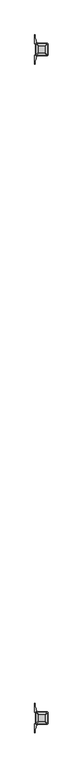
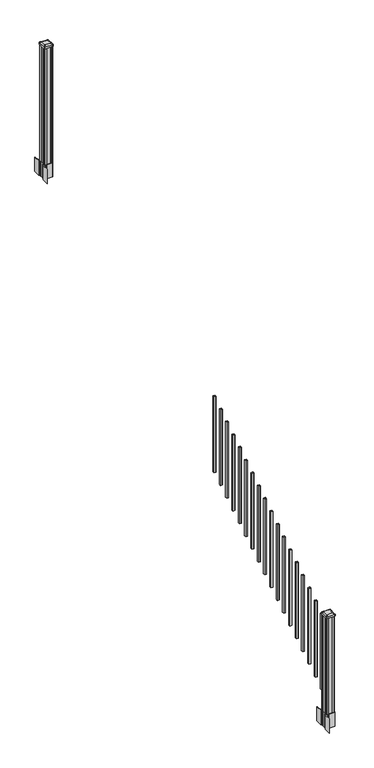
"""IFC4 building model written with IfcOpenShell, lengths in millimetres: railing geometry."""

from ifc_helpers import new_model, si_unit, point, frame, frame_2d, origin, place, context, project, spatial, polyline, circle_curve, trimmed, segment, composite_curve, outline, extrude, source, transform, mapped, element, save
from ifc_brep_helpers import plane_surface, extruded_surface, advanced_brep


def railing_6dadb697(model_context):
    return source(origin(), model_context, "Body", "SolidModel", [
        extrude(outline(polyline([(9882.2052034, -5721.2584681), (9863.1552034, -5721.2584681), (9863.1552034, -5702.2084681), (9882.2052034, -5702.2084681), (9882.2052034, -5721.2584681)]), holes=[polyline([(9881.8083284, -5720.8615931), (9881.8083284, -5702.6053431), (9863.5520784, -5702.6053431), (9863.5520784, -5720.8615931), (9881.8083284, -5720.8615931)])]), frame((0.0, 0.0, 1515.8996281), z_axis=(0.0, 0.0, 1.0), x_axis=(1.0, 0.0, 0.0)), (0.0, 0.0, 1.0), 812.8041219),
        extrude(outline(polyline([(9882.2052034, -5832.5104681), (9863.1552034, -5832.5104681), (9863.1552034, -5813.4604681), (9882.2052034, -5813.4604681), (9882.2052034, -5832.5104681)]), holes=[polyline([(9881.8083284, -5832.1135931), (9881.8083284, -5813.8573431), (9863.5520784, -5813.8573431), (9863.5520784, -5832.1135931), (9881.8083284, -5832.1135931)])]), frame((0.0, 0.0, 1446.3671281), z_axis=(0.0, 0.0, 1.0), x_axis=(1.0, 0.0, 0.0)), (0.0, 0.0, 1.0), 812.8041219),
        extrude(outline(polyline([(9882.2052034, -5943.7624681), (9863.1552034, -5943.7624681), (9863.1552034, -5924.7124681), (9882.2052034, -5924.7124681), (9882.2052034, -5943.7624681)]), holes=[polyline([(9881.8083284, -5943.3655931), (9881.8083284, -5925.1093431), (9863.5520784, -5925.1093431), (9863.5520784, -5943.3655931), (9881.8083284, -5943.3655931)])]), frame((0.0, 0.0, 1376.8346281), z_axis=(0.0, 0.0, 1.0), x_axis=(1.0, 0.0, 0.0)), (0.0, 0.0, 1.0), 812.8041219),
        extrude(outline(polyline([(9882.2052034, -6055.0144681), (9863.1552034, -6055.0144681), (9863.1552034, -6035.9644681), (9882.2052034, -6035.9644681), (9882.2052034, -6055.0144681)]), holes=[polyline([(9881.8083284, -6054.6175931), (9881.8083284, -6036.3613431), (9863.5520784, -6036.3613431), (9863.5520784, -6054.6175931), (9881.8083284, -6054.6175931)])]), frame((0.0, 0.0, 1307.3021281), z_axis=(0.0, 0.0, 1.0), x_axis=(1.0, 0.0, 0.0)), (0.0, 0.0, 1.0), 812.8041219),
        extrude(outline(polyline([(9882.2052034, -6166.2664681), (9863.1552034, -6166.2664681), (9863.1552034, -6147.2164681), (9882.2052034, -6147.2164681), (9882.2052034, -6166.2664681)]), holes=[polyline([(9881.8083284, -6165.8695931), (9881.8083284, -6147.6133431), (9863.5520784, -6147.6133431), (9863.5520784, -6165.8695931), (9881.8083284, -6165.8695931)])]), frame((0.0, 0.0, 1237.7696281), z_axis=(0.0, 0.0, 1.0), x_axis=(1.0, 0.0, 0.0)), (0.0, 0.0, 1.0), 812.8041219),
        extrude(outline(polyline([(9882.2052034, -6277.5184681), (9863.1552034, -6277.5184681), (9863.1552034, -6258.4684681), (9882.2052034, -6258.4684681), (9882.2052034, -6277.5184681)]), holes=[polyline([(9881.8083284, -6277.1215931), (9881.8083284, -6258.8653431), (9863.5520784, -6258.8653431), (9863.5520784, -6277.1215931), (9881.8083284, -6277.1215931)])]), frame((0.0, 0.0, 1168.2371281), z_axis=(0.0, 0.0, 1.0), x_axis=(1.0, 0.0, 0.0)), (0.0, 0.0, 1.0), 812.8041219),
        extrude(outline(polyline([(9882.2052034, -6388.7704681), (9863.1552034, -6388.7704681), (9863.1552034, -6369.7204681), (9882.2052034, -6369.7204681), (9882.2052034, -6388.7704681)]), holes=[polyline([(9881.8083284, -6388.3735931), (9881.8083284, -6370.1173431), (9863.5520784, -6370.1173431), (9863.5520784, -6388.3735931), (9881.8083284, -6388.3735931)])]), frame((0.0, 0.0, 1098.7046281), z_axis=(0.0, 0.0, 1.0), x_axis=(1.0, 0.0, 0.0)), (0.0, 0.0, 1.0), 812.8041219),
        extrude(outline(polyline([(9882.2052034, -6500.0224681), (9863.1552034, -6500.0224681), (9863.1552034, -6480.9724681), (9882.2052034, -6480.9724681), (9882.2052034, -6500.0224681)]), holes=[polyline([(9881.8083284, -6499.6255931), (9881.8083284, -6481.3693431), (9863.5520784, -6481.3693431), (9863.5520784, -6499.6255931), (9881.8083284, -6499.6255931)])]), frame((0.0, 0.0, 1029.1721281), z_axis=(0.0, 0.0, 1.0), x_axis=(1.0, 0.0, 0.0)), (0.0, 0.0, 1.0), 812.8041219),
        extrude(outline(polyline([(9882.2052034, -6611.2744681), (9863.1552034, -6611.2744681), (9863.1552034, -6592.2244681), (9882.2052034, -6592.2244681), (9882.2052034, -6611.2744681)]), holes=[polyline([(9881.8083284, -6610.8775931), (9881.8083284, -6592.6213431), (9863.5520784, -6592.6213431), (9863.5520784, -6610.8775931), (9881.8083284, -6610.8775931)])]), frame((0.0, 0.0, 959.6396281), z_axis=(0.0, 0.0, 1.0), x_axis=(1.0, 0.0, 0.0)), (0.0, 0.0, 1.0), 812.8041219),
        extrude(outline(polyline([(9882.2052034, -6722.5264681), (9863.1552034, -6722.5264681), (9863.1552034, -6703.4764681), (9882.2052034, -6703.4764681), (9882.2052034, -6722.5264681)]), holes=[polyline([(9881.8083284, -6722.1295931), (9881.8083284, -6703.8733431), (9863.5520784, -6703.8733431), (9863.5520784, -6722.1295931), (9881.8083284, -6722.1295931)])]), frame((0.0, 0.0, 890.1071281), z_axis=(0.0, 0.0, 1.0), x_axis=(1.0, 0.0, 0.0)), (0.0, 0.0, 1.0), 812.8041219),
        extrude(outline(polyline([(9882.2052034, -6833.7784681), (9863.1552034, -6833.7784681), (9863.1552034, -6814.7284681), (9882.2052034, -6814.7284681), (9882.2052034, -6833.7784681)]), holes=[polyline([(9881.8083284, -6833.3815931), (9881.8083284, -6815.1253431), (9863.5520784, -6815.1253431), (9863.5520784, -6833.3815931), (9881.8083284, -6833.3815931)])]), frame((0.0, 0.0, 820.5746281), z_axis=(0.0, 0.0, 1.0), x_axis=(1.0, 0.0, 0.0)), (0.0, 0.0, 1.0), 812.8041219),
        extrude(outline(polyline([(9882.2052034, -6945.0304681), (9863.1552034, -6945.0304681), (9863.1552034, -6925.9804681), (9882.2052034, -6925.9804681), (9882.2052034, -6945.0304681)]), holes=[polyline([(9881.8083284, -6944.6335931), (9881.8083284, -6926.3773431), (9863.5520784, -6926.3773431), (9863.5520784, -6944.6335931), (9881.8083284, -6944.6335931)])]), frame((0.0, 0.0, 751.0421281), z_axis=(0.0, 0.0, 1.0), x_axis=(1.0, 0.0, 0.0)), (0.0, 0.0, 1.0), 812.8041219),
        extrude(outline(polyline([(9882.2052034, -7056.2824681), (9863.1552034, -7056.2824681), (9863.1552034, -7037.2324681), (9882.2052034, -7037.2324681), (9882.2052034, -7056.2824681)]), holes=[polyline([(9881.8083284, -7055.8855931), (9881.8083284, -7037.6293431), (9863.5520784, -7037.6293431), (9863.5520784, -7055.8855931), (9881.8083284, -7055.8855931)])]), frame((0.0, 0.0, 681.5096281), z_axis=(0.0, 0.0, 1.0), x_axis=(1.0, 0.0, 0.0)), (0.0, 0.0, 1.0), 812.8041219),
        extrude(outline(polyline([(9882.2052034, -7167.5344681), (9863.1552034, -7167.5344681), (9863.1552034, -7148.4844681), (9882.2052034, -7148.4844681), (9882.2052034, -7167.5344681)]), holes=[polyline([(9881.8083284, -7167.1375931), (9881.8083284, -7148.8813431), (9863.5520784, -7148.8813431), (9863.5520784, -7167.1375931), (9881.8083284, -7167.1375931)])]), frame((0.0, 0.0, 611.9771281), z_axis=(0.0, 0.0, 1.0), x_axis=(1.0, 0.0, 0.0)), (0.0, 0.0, 1.0), 812.8041219),
        extrude(outline(polyline([(9882.2052034, -7278.7864681), (9863.1552034, -7278.7864681), (9863.1552034, -7259.7364681), (9882.2052034, -7259.7364681), (9882.2052034, -7278.7864681)]), holes=[polyline([(9881.8083284, -7278.3895931), (9881.8083284, -7260.1333431), (9863.5520784, -7260.1333431), (9863.5520784, -7278.3895931), (9881.8083284, -7278.3895931)])]), frame((0.0, 0.0, 542.4446281), z_axis=(0.0, 0.0, 1.0), x_axis=(1.0, 0.0, 0.0)), (0.0, 0.0, 1.0), 812.8041219),
        extrude(outline(polyline([(9882.2052034, -7390.0384681), (9863.1552034, -7390.0384681), (9863.1552034, -7370.9884681), (9882.2052034, -7370.9884681), (9882.2052034, -7390.0384681)]), holes=[polyline([(9881.8083284, -7389.6415931), (9881.8083284, -7371.3853431), (9863.5520784, -7371.3853431), (9863.5520784, -7389.6415931), (9881.8083284, -7389.6415931)])]), frame((0.0, 0.0, 472.9121281), z_axis=(0.0, 0.0, 1.0), x_axis=(1.0, 0.0, 0.0)), (0.0, 0.0, 1.0), 812.8041219),
        extrude(outline(polyline([(9882.2052034, -7501.2904681), (9863.1552034, -7501.2904681), (9863.1552034, -7482.2404681), (9882.2052034, -7482.2404681), (9882.2052034, -7501.2904681)]), holes=[polyline([(9881.8083284, -7500.8935931), (9881.8083284, -7482.6373431), (9863.5520784, -7482.6373431), (9863.5520784, -7500.8935931), (9881.8083284, -7500.8935931)])]), frame((0.0, 0.0, 403.3796281), z_axis=(0.0, 0.0, 1.0), x_axis=(1.0, 0.0, 0.0)), (0.0, 0.0, 1.0), 812.8041219),
        extrude(outline(polyline([(9882.2052034, -7612.5424681), (9863.1552034, -7612.5424681), (9863.1552034, -7593.4924681), (9882.2052034, -7593.4924681), (9882.2052034, -7612.5424681)]), holes=[polyline([(9881.8083284, -7612.1455931), (9881.8083284, -7593.8893431), (9863.5520784, -7593.8893431), (9863.5520784, -7612.1455931), (9881.8083284, -7612.1455931)])]), frame((0.0, 0.0, 333.8471281), z_axis=(0.0, 0.0, 1.0), x_axis=(1.0, 0.0, 0.0)), (0.0, 0.0, 1.0), 812.8041219),
        extrude(outline(polyline([(9832.9927034, -2792.8924681), (9831.4052034, -2791.3049681), (9831.4052034, -2771.6834681), (9832.9927034, -2770.9214681), (9832.9927034, -2732.3134681), (9831.4052034, -2731.5514681), (9831.4052034, -2711.9299681), (9832.9927034, -2710.3424681), (9852.6142034, -2710.3424681), (9853.3762034, -2711.9299681), (9891.9842034, -2711.9299681), (9892.7462034, -2710.3424681), (9912.3677034, -2710.3424681), (9913.9552034, -2711.9299681), (9913.9552034, -2731.5514681), (9912.3677034, -2732.3134681), (9912.3677034, -2770.9214681), (9913.9552034, -2771.6834681), (9913.9552034, -2791.3049681), (9912.3677034, -2792.8924681), (9892.7462034, -2792.8924681), (9891.9842034, -2791.3049681), (9853.3762034, -2791.3049681), (9852.6142034, -2792.8924681), (9832.9927034, -2792.8924681)])), frame((0.0, 0.0, 3048.0), z_axis=(0.0, 0.0, 1.0), x_axis=(1.0, 0.0, 0.0)), (0.0, 0.0, 1.0), 1247.740513),
        extrude(outline(composite_curve([segment(polyline([(9915.4157034, -2769.003563), (9917.0032034, -2769.765563), (9917.0032034, -2792.567491), (9913.6302263, -2795.9404681), (9852.1705555, -2795.9404681), (9852.1705555, -2796.8612181), (9846.8530117, -2796.8612181), (9846.8530117, -2798.3154728), (9841.768482, -2798.3154728), (9841.768482, -2799.5994966), (9840.1012097, -2799.5994966)]), True, "CONTINUOUS"), segment(trimmed(circle_curve(frame_2d((9840.1012097, -2806.6589565)), 7.0594599), [point((9840.1012097, -2799.5994966))], [point((9833.3339468, -2804.6489498))], True, "CARTESIAN"), True, "CONTINUOUS"), segment(polyline([(9833.3339468, -2804.6489498), (9825.4597526, -2831.1596789)]), True, "CONTINUOUS"), segment(trimmed(circle_curve(frame_2d((9880.2442659, -2847.4317285)), 57.15), [point((9825.4597526, -2831.1596789))], [point((9823.0942659, -2847.4317285))], True, "CARTESIAN"), True, "CONTINUOUS"), segment(polyline([(9823.0942659, -2847.4317285), (9823.0942659, -2859.4404681), (9820.0942659, -2859.4404681), (9820.0942659, -2794.3529681), (9828.3572034, -2783.0146768), (9828.3572034, -2769.765563), (9829.9447034, -2769.003563), (9829.9447034, -2734.2313732), (9828.3572034, -2733.4693732), (9828.3572034, -2720.2202594), (9820.0942659, -2708.8819681), (9820.0942659, -2643.7944681), (9823.0942659, -2643.7944681), (9823.0942659, -2655.8032076)]), True, "CONTINUOUS"), segment(trimmed(circle_curve(frame_2d((9880.2442659, -2655.8032076)), 57.15), [point((9823.0942659, -2655.8032076))], [point((9825.4597526, -2672.0752573))], True, "CARTESIAN"), True, "CONTINUOUS"), segment(polyline([(9825.4597526, -2672.0752573), (9833.3339468, -2698.5859864)]), True, "CONTINUOUS"), segment(trimmed(circle_curve(frame_2d((9840.1012097, -2696.5759797)), 7.0594599), [point((9833.3339468, -2698.5859864))], [point((9840.1012097, -2703.6354396))], True, "CARTESIAN"), True, "CONTINUOUS"), segment(polyline([(9840.1012097, -2703.6354396), (9841.768482, -2703.6354396), (9841.768482, -2704.9194634), (9846.8530117, -2704.9194634), (9846.8530117, -2706.3737181), (9852.1705555, -2706.3737181), (9852.1705555, -2707.2944681), (9913.6302263, -2707.2944681), (9917.0032034, -2710.6674452), (9917.0032034, -2733.4693732), (9915.4157034, -2734.2313732), (9915.4157034, -2769.003563)]), True, "CONTINUOUS")], self_intersect=False), holes=[polyline([(9831.4052034, -2711.9299681), (9831.4052034, -2791.3049681), (9832.9927034, -2792.8924681), (9869.916986, -2792.8924681), (9912.3677034, -2792.8924681), (9913.9552034, -2791.3049681), (9913.9552034, -2711.9299681), (9912.3677034, -2710.3424681), (9869.916986, -2710.3424681), (9832.9927034, -2710.3424681), (9831.4052034, -2711.9299681)])]), frame((0.0, 0.0, 2895.6), z_axis=(0.0, 0.0, 1.0), x_axis=(1.0, 0.0, 0.0)), (0.0, 0.0, 1.0), 152.4),
        advanced_brep(
        [(9846.8833284, -2780.5893431, 4324.315513), (9898.4770784, -2780.5893431, 4324.315513), (9901.6520784, -2777.4143431, 4324.315513), (9901.6520784, -2725.8205931, 4324.315513), (9898.4770784, -2722.6455931, 4324.315513), (9846.8833284, -2722.6455931, 4324.315513), (9843.7083284, -2725.8205931, 4324.315513), (9843.7083284, -2777.4143431, 4324.315513), (9830.6114534, -2796.8612181, 4313.012513), (9827.4364534, -2793.6862181, 4313.012513), (9827.4364534, -2709.5487181, 4313.012513), (9830.6114534, -2706.3737181, 4313.012513), (9914.7489534, -2706.3737181, 4313.012513), (9917.9239534, -2709.5487181, 4313.012513), (9917.9239534, -2793.6862181, 4313.012513), (9914.7489534, -2796.8612181, 4313.012513)],
        [
            (0, 1),
            (1, 2, circle_curve(frame((9898.4770784, -2777.4143431, 4324.315513), z_axis=(0.0, 0.0, 1.0), x_axis=(0.0, 1.0, 0.0)), 3.175)),
            (2, 3),
            (3, 4, circle_curve(frame((9898.4770784, -2725.8205931, 4324.315513), z_axis=(0.0, 0.0, 1.0), x_axis=(0.0, 1.0, 0.0)), 3.175)),
            (4, 5),
            (5, 6, circle_curve(frame((9846.8833284, -2725.8205931, 4324.315513), z_axis=(0.0, 0.0, 1.0), x_axis=(0.0, 1.0, 0.0)), 3.175)),
            (6, 7),
            (7, 0, circle_curve(frame((9846.8833284, -2777.4143431, 4324.315513), z_axis=(0.0, 0.0, 1.0), x_axis=(0.0, 1.0, 0.0)), 3.175)),
            (8, 9, circle_curve(frame((9830.6114534, -2793.6862181, 4313.012513), z_axis=(0.0, 0.0, -1.0), x_axis=(0.0, 1.0, 0.0)), 3.175)),
            (9, 10),
            (10, 11, circle_curve(frame((9830.6114534, -2709.5487181, 4313.012513), z_axis=(0.0, 0.0, -1.0), x_axis=(0.0, 1.0, 0.0)), 3.175)),
            (11, 12),
            (12, 13, circle_curve(frame((9914.7489534, -2709.5487181, 4313.012513), z_axis=(0.0, 0.0, -1.0), x_axis=(0.0, 1.0, 0.0)), 3.175)),
            (13, 14),
            (14, 15, circle_curve(frame((9914.7489534, -2793.6862181, 4313.012513), z_axis=(0.0, 0.0, -1.0), x_axis=(0.0, 1.0, 0.0)), 3.175)),
            (15, 8),
            (8, 0),
            (7, 9),
            (6, 10),
            (5, 11),
            (4, 12),
            (3, 13),
            (2, 14),
            (1, 15),
        ],
        [
            plane_surface(frame((9872.6802034, -2751.6174681, 4324.315513), z_axis=(0.0, 0.0, 1.0), x_axis=(-1.0, 0.0, 0.0))),
            plane_surface(frame((9872.6802034, -2751.6174681, 4313.012513), z_axis=(0.0, 0.0, -1.0), x_axis=(-1.0, 0.0, 0.0))),
            extruded_surface(trimmed(circle_curve(frame((9846.8833284, -2777.4143431, 4324.315513), z_axis=(0.0, 0.0, -1.0), x_axis=(0.0, 1.0, 0.0)), 3.175), [point((9846.8833284, -2780.5893431, 4324.315513))], [point((9843.7083284, -2777.4143431, 4324.315513))], True, "CARTESIAN"), (-16.271874999998545, -16.27187499999991, -11.302999999999884), 25.63797263886513),
            plane_surface(frame((9827.4364534, -2751.6174681, 4313.012513), z_axis=(-0.5705009161540687, 0.0, 0.8212969649690472), x_axis=(0.0, 1.0, 0.0))),
            extruded_surface(trimmed(circle_curve(frame((9846.8833284, -2725.8205931, 4324.315513), z_axis=(0.0, 0.0, -1.0), x_axis=(0.0, 1.0, 0.0)), 3.175), [point((9843.7083284, -2725.8205931, 4324.315513))], [point((9846.8833284, -2722.6455931, 4324.315513))], True, "CARTESIAN"), (-16.271874999998545, 16.271875000000364, -11.302999999999884), 25.63797263886542),
            plane_surface(frame((9872.6802034, -2706.3737181, 4313.012513), z_axis=(0.0, 0.5705009161540291, 0.8212969649690747), x_axis=(1.0, 0.0, 0.0))),
            extruded_surface(trimmed(circle_curve(frame((9898.4770784, -2725.8205931, 4324.315513), z_axis=(0.0, 0.0, -1.0), x_axis=(0.0, 1.0, 0.0)), 3.175), [point((9898.4770784, -2722.6455931, 4324.315513))], [point((9901.6520784, -2725.8205931, 4324.315513))], True, "CARTESIAN"), (16.271875000000364, 16.271875000000364, -11.302999999999884), 25.63797263886657),
            plane_surface(frame((9917.9239534, -2751.6174681, 4313.012513), z_axis=(0.5705009161540233, 0.0, 0.8212969649690787), x_axis=(0.0, -1.0, 0.0))),
            extruded_surface(trimmed(circle_curve(frame((9898.4770784, -2777.4143431, 4324.315513), z_axis=(0.0, 0.0, -1.0), x_axis=(0.0, 1.0, 0.0)), 3.175), [point((9901.6520784, -2777.4143431, 4324.315513))], [point((9898.4770784, -2780.5893431, 4324.315513))], True, "CARTESIAN"), (16.271875000000364, -16.27187499999991, -11.302999999999884), 25.637972638866284),
            plane_surface(frame((9872.6802034, -2796.8612181, 4313.012513), z_axis=(0.0, -0.570500916154034, 0.8212969649690713), x_axis=(-1.0, 0.0, 0.0))),
        ],
        [
            (0, [[1, 2, 3, 4, 5, 6, 7, 8]]),
            (1, [[9, 10, 11, 12, 13, 14, 15, 16]]),
            (2, [[17, -8, 18, -9]]),
            (3, [[-18, -7, 19, -10]]),
            (4, [[-19, -6, 20, -11]]),
            (5, [[-20, -5, 21, -12]]),
            (6, [[-21, -4, 22, -13]]),
            (7, [[-22, -3, 23, -14]]),
            (8, [[-23, -2, 24, -15]]),
            (9, [[-24, -1, -17, -16]]),
        ],
    ),
        extrude(outline(composite_curve([segment(trimmed(circle_curve(frame_2d((9830.6114534, -2793.6862181)), 3.175), [point((9830.6114534, -2796.8612181))], [point((9827.4364534, -2793.6862181))], False, "CARTESIAN"), True, "CONTINUOUS"), segment(polyline([(9827.4364534, -2793.6862181), (9827.4364534, -2709.5487181)]), True, "CONTINUOUS"), segment(trimmed(circle_curve(frame_2d((9830.6114534, -2709.5487181)), 3.175), [point((9827.4364534, -2709.5487181))], [point((9830.6114534, -2706.3737181))], False, "CARTESIAN"), True, "CONTINUOUS"), segment(polyline([(9830.6114534, -2706.3737181), (9914.7489534, -2706.3737181)]), True, "CONTINUOUS"), segment(trimmed(circle_curve(frame_2d((9914.7489534, -2709.5487181)), 3.175), [point((9914.7489534, -2706.3737181))], [point((9917.9239534, -2709.5487181))], False, "CARTESIAN"), True, "CONTINUOUS"), segment(polyline([(9917.9239534, -2709.5487181), (9917.9239534, -2793.6862181)]), True, "CONTINUOUS"), segment(trimmed(circle_curve(frame_2d((9914.7489534, -2793.6862181)), 3.175), [point((9917.9239534, -2793.6862181))], [point((9914.7489534, -2796.8612181))], False, "CARTESIAN"), True, "CONTINUOUS"), segment(polyline([(9914.7489534, -2796.8612181), (9830.6114534, -2796.8612181)]), True, "CONTINUOUS")], self_intersect=False)), frame((0.0, 0.0, 4295.740513), z_axis=(0.0, 0.0, 1.0), x_axis=(1.0, 0.0, 0.0)), (0.0, 0.0, 1.0), 17.272),
        extrude(outline(composite_curve([segment(polyline([(9915.4157034, -7728.607563), (9917.0032034, -7729.369563), (9917.0032034, -7752.171491), (9913.6302263, -7755.5444681), (9852.1705555, -7755.5444681), (9852.1705555, -7756.4652181), (9846.8530117, -7756.4652181), (9846.8530117, -7757.9194728), (9841.768482, -7757.9194728), (9841.768482, -7759.2034966), (9840.1012097, -7759.2034966)]), True, "CONTINUOUS"), segment(trimmed(circle_curve(frame_2d((9840.1012097, -7766.2629565)), 7.0594599), [point((9840.1012097, -7759.2034966))], [point((9833.3339468, -7764.2529498))], True, "CARTESIAN"), True, "CONTINUOUS"), segment(polyline([(9833.3339468, -7764.2529498), (9825.4597526, -7790.7636789)]), True, "CONTINUOUS"), segment(trimmed(circle_curve(frame_2d((9880.2442659, -7807.0357285)), 57.15), [point((9825.4597526, -7790.7636789))], [point((9823.0942659, -7807.0357285))], True, "CARTESIAN"), True, "CONTINUOUS"), segment(polyline([(9823.0942659, -7807.0357285), (9823.0942659, -7819.0444681), (9820.0942659, -7819.0444681), (9820.0942659, -7753.9569681), (9828.3572034, -7742.6186768), (9828.3572034, -7729.369563), (9829.9447034, -7728.607563), (9829.9447034, -7693.8353732), (9828.3572034, -7693.0733732), (9828.3572034, -7679.8242594), (9820.0942659, -7668.4859681), (9820.0942659, -7603.3984681), (9823.0942659, -7603.3984681), (9823.0942659, -7615.4072076)]), True, "CONTINUOUS"), segment(trimmed(circle_curve(frame_2d((9880.2442659, -7615.4072076)), 57.15), [point((9823.0942659, -7615.4072076))], [point((9825.4597526, -7631.6792573))], True, "CARTESIAN"), True, "CONTINUOUS"), segment(polyline([(9825.4597526, -7631.6792573), (9833.3339468, -7658.1899864)]), True, "CONTINUOUS"), segment(trimmed(circle_curve(frame_2d((9840.1012097, -7656.1799797)), 7.0594599), [point((9833.3339468, -7658.1899864))], [point((9840.1012097, -7663.2394396))], True, "CARTESIAN"), True, "CONTINUOUS"), segment(polyline([(9840.1012097, -7663.2394396), (9841.768482, -7663.2394396), (9841.768482, -7664.5234634), (9846.8530117, -7664.5234634), (9846.8530117, -7665.9777181), (9852.1705555, -7665.9777181), (9852.1705555, -7666.8984681), (9913.6302263, -7666.8984681), (9917.0032034, -7670.2714452), (9917.0032034, -7693.0733732), (9915.4157034, -7693.8353732), (9915.4157034, -7728.607563)]), True, "CONTINUOUS")], self_intersect=False), holes=[polyline([(9831.4052034, -7671.5339681), (9831.4052034, -7750.9089681), (9832.9927034, -7752.4964681), (9869.916986, -7752.4964681), (9912.3677034, -7752.4964681), (9913.9552034, -7750.9089681), (9913.9552034, -7671.5339681), (9912.3677034, -7669.9464681), (9869.916986, -7669.9464681), (9832.9927034, -7669.9464681), (9831.4052034, -7671.5339681)])]), frame((0.0, 0.0, 12.22375), z_axis=(0.0, 0.0, 1.0), x_axis=(1.0, 0.0, 0.0)), (0.0, 0.0, 1.0), 152.4),
        advanced_brep(
        [(9846.8833284, -7740.1933431, 1224.563013), (9898.4770784, -7740.1933431, 1224.563013), (9901.6520784, -7737.0183431, 1224.563013), (9901.6520784, -7685.4245931, 1224.563013), (9898.4770784, -7682.2495931, 1224.563013), (9846.8833284, -7682.2495931, 1224.563013), (9843.7083284, -7685.4245931, 1224.563013), (9843.7083284, -7737.0183431, 1224.563013), (9830.6114534, -7756.4652181, 1213.260013), (9827.4364534, -7753.2902181, 1213.260013), (9827.4364534, -7669.1527181, 1213.260013), (9830.6114534, -7665.9777181, 1213.260013), (9914.7489534, -7665.9777181, 1213.260013), (9917.9239534, -7669.1527181, 1213.260013), (9917.9239534, -7753.2902181, 1213.260013), (9914.7489534, -7756.4652181, 1213.260013)],
        [
            (0, 1),
            (1, 2, circle_curve(frame((9898.4770784, -7737.0183431, 1224.563013), z_axis=(0.0, 0.0, 1.0), x_axis=(0.0, 1.0, 0.0)), 3.175)),
            (2, 3),
            (3, 4, circle_curve(frame((9898.4770784, -7685.4245931, 1224.563013), z_axis=(0.0, 0.0, 1.0), x_axis=(0.0, 1.0, 0.0)), 3.175)),
            (4, 5),
            (5, 6, circle_curve(frame((9846.8833284, -7685.4245931, 1224.563013), z_axis=(0.0, 0.0, 1.0), x_axis=(0.0, 1.0, 0.0)), 3.175)),
            (6, 7),
            (7, 0, circle_curve(frame((9846.8833284, -7737.0183431, 1224.563013), z_axis=(0.0, 0.0, 1.0), x_axis=(0.0, 1.0, 0.0)), 3.175)),
            (8, 9, circle_curve(frame((9830.6114534, -7753.2902181, 1213.260013), z_axis=(0.0, 0.0, -1.0), x_axis=(0.0, 1.0, 0.0)), 3.175)),
            (9, 10),
            (10, 11, circle_curve(frame((9830.6114534, -7669.1527181, 1213.260013), z_axis=(0.0, 0.0, -1.0), x_axis=(0.0, 1.0, 0.0)), 3.175)),
            (11, 12),
            (12, 13, circle_curve(frame((9914.7489534, -7669.1527181, 1213.260013), z_axis=(0.0, 0.0, -1.0), x_axis=(0.0, 1.0, 0.0)), 3.175)),
            (13, 14),
            (14, 15, circle_curve(frame((9914.7489534, -7753.2902181, 1213.260013), z_axis=(0.0, 0.0, -1.0), x_axis=(0.0, 1.0, 0.0)), 3.175)),
            (15, 8),
            (8, 0),
            (7, 9),
            (6, 10),
            (5, 11),
            (4, 12),
            (3, 13),
            (2, 14),
            (1, 15),
        ],
        [
            plane_surface(frame((9872.6802034, -7711.2214681, 1224.563013), z_axis=(0.0, 0.0, 1.0), x_axis=(-1.0, 0.0, 0.0))),
            plane_surface(frame((9872.6802034, -7711.2214681, 1213.260013), z_axis=(0.0, 0.0, -1.0), x_axis=(-1.0, 0.0, 0.0))),
            extruded_surface(trimmed(circle_curve(frame((9846.8833284, -7737.0183431, 1224.563013), z_axis=(0.0, 0.0, -1.0), x_axis=(0.0, 1.0, 0.0)), 3.175), [point((9846.8833284, -7740.1933431, 1224.563013))], [point((9843.7083284, -7737.0183431, 1224.563013))], True, "CARTESIAN"), (-16.271874999998545, -16.271875000000364, -11.302999999999884), 25.63797263886542),
            plane_surface(frame((9827.4364534, -7711.2214681, 1213.260013), z_axis=(-0.5705009161540778, 0.0, 0.8212969649690408), x_axis=(0.0, 1.0, 0.0))),
            extruded_surface(trimmed(circle_curve(frame((9846.8833284, -7685.4245931, 1224.563013), z_axis=(0.0, 0.0, -1.0), x_axis=(0.0, 1.0, 0.0)), 3.175), [point((9843.7083284, -7685.4245931, 1224.563013))], [point((9846.8833284, -7682.2495931, 1224.563013))], True, "CARTESIAN"), (-16.271874999998545, 16.271874999999454, -11.302999999999884), 25.63797263886484),
            plane_surface(frame((9872.6802034, -7665.9777181, 1213.260013), z_axis=(0.0, 0.5705009161540291, 0.8212969649690747), x_axis=(1.0, 0.0, 0.0))),
            extruded_surface(trimmed(circle_curve(frame((9898.4770784, -7685.4245931, 1224.563013), z_axis=(0.0, 0.0, -1.0), x_axis=(0.0, 1.0, 0.0)), 3.175), [point((9898.4770784, -7682.2495931, 1224.563013))], [point((9901.6520784, -7685.4245931, 1224.563013))], True, "CARTESIAN"), (16.271875000000364, 16.271874999999454, -11.302999999999884), 25.637972638865996),
            plane_surface(frame((9917.9239534, -7711.2214681, 1213.260013), z_axis=(0.5705009161540142, 0.0, 0.8212969649690851), x_axis=(0.0, -1.0, 0.0))),
            extruded_surface(trimmed(circle_curve(frame((9898.4770784, -7737.0183431, 1224.563013), z_axis=(0.0, 0.0, -1.0), x_axis=(0.0, 1.0, 0.0)), 3.175), [point((9901.6520784, -7737.0183431, 1224.563013))], [point((9898.4770784, -7740.1933431, 1224.563013))], True, "CARTESIAN"), (16.271875000000364, -16.271875000000364, -11.302999999999884), 25.63797263886657),
            plane_surface(frame((9872.6802034, -7756.4652181, 1213.260013), z_axis=(0.0, -0.570500916154034, 0.8212969649690713), x_axis=(-1.0, 0.0, 0.0))),
        ],
        [
            (0, [[1, 2, 3, 4, 5, 6, 7, 8]]),
            (1, [[9, 10, 11, 12, 13, 14, 15, 16]]),
            (2, [[17, -8, 18, -9]]),
            (3, [[-18, -7, 19, -10]]),
            (4, [[-19, -6, 20, -11]]),
            (5, [[-20, -5, 21, -12]]),
            (6, [[-21, -4, 22, -13]]),
            (7, [[-22, -3, 23, -14]]),
            (8, [[-23, -2, 24, -15]]),
            (9, [[-24, -1, -17, -16]]),
        ],
    ),
        extrude(outline(composite_curve([segment(trimmed(circle_curve(frame_2d((9830.6114534, -7753.2902181)), 3.175), [point((9830.6114534, -7756.4652181))], [point((9827.4364534, -7753.2902181))], False, "CARTESIAN"), True, "CONTINUOUS"), segment(polyline([(9827.4364534, -7753.2902181), (9827.4364534, -7669.1527181)]), True, "CONTINUOUS"), segment(trimmed(circle_curve(frame_2d((9830.6114534, -7669.1527181)), 3.175), [point((9827.4364534, -7669.1527181))], [point((9830.6114534, -7665.9777181))], False, "CARTESIAN"), True, "CONTINUOUS"), segment(polyline([(9830.6114534, -7665.9777181), (9914.7489534, -7665.9777181)]), True, "CONTINUOUS"), segment(trimmed(circle_curve(frame_2d((9914.7489534, -7669.1527181)), 3.175), [point((9914.7489534, -7665.9777181))], [point((9917.9239534, -7669.1527181))], False, "CARTESIAN"), True, "CONTINUOUS"), segment(polyline([(9917.9239534, -7669.1527181), (9917.9239534, -7753.2902181)]), True, "CONTINUOUS"), segment(trimmed(circle_curve(frame_2d((9914.7489534, -7753.2902181)), 3.175), [point((9917.9239534, -7753.2902181))], [point((9914.7489534, -7756.4652181))], False, "CARTESIAN"), True, "CONTINUOUS"), segment(polyline([(9914.7489534, -7756.4652181), (9830.6114534, -7756.4652181)]), True, "CONTINUOUS")], self_intersect=False)), frame((0.0, 0.0, 1195.988013), z_axis=(0.0, 0.0, 1.0), x_axis=(1.0, 0.0, 0.0)), (0.0, 0.0, 1.0), 17.272),
        extrude(outline(polyline([(9832.9927034, -7752.4964681), (9831.4052034, -7750.9089681), (9831.4052034, -7731.2874681), (9832.9927034, -7730.5254681), (9832.9927034, -7691.9174681), (9831.4052034, -7691.1554681), (9831.4052034, -7671.5339681), (9832.9927034, -7669.9464681), (9852.6142034, -7669.9464681), (9853.3762034, -7671.5339681), (9891.9842034, -7671.5339681), (9892.7462034, -7669.9464681), (9912.3677034, -7669.9464681), (9913.9552034, -7671.5339681), (9913.9552034, -7691.1554681), (9912.3677034, -7691.9174681), (9912.3677034, -7730.5254681), (9913.9552034, -7731.2874681), (9913.9552034, -7750.9089681), (9912.3677034, -7752.4964681), (9892.7462034, -7752.4964681), (9891.9842034, -7750.9089681), (9853.3762034, -7750.9089681), (9852.6142034, -7752.4964681), (9832.9927034, -7752.4964681)])), frame((0.0, 0.0, 164.62375), z_axis=(0.0, 0.0, 1.0), x_axis=(1.0, 0.0, 0.0)), (0.0, 0.0, 1.0), 1031.364263),
    ])


if __name__ == "__main__":
    model = new_model("IFC4")
    model_context = context("Model", 3, world=origin())
    ifc_project = project(units=[si_unit("LENGTHUNIT", "METRE", prefix="MILLI")], contexts=[model_context])
    site = spatial("IfcSite", under=ifc_project)
    building = spatial("IfcBuilding", under=site)
    placement = place(None, origin())
    railing_shape = railing_6dadb697(model_context)
    element("IfcRailing", 1, at=placement, inside=building, context=model_context, shape_type="MappedRepresentation", body=[
        mapped(railing_shape, transform((0.0, 0.0, 0.0), x_axis=(1.0, 0.0, 0.0), y_axis=(0.0, 1.0, 0.0), z_axis=(0.0, 0.0, 1.0))),
    ])
    save(model, "model.ifc")
